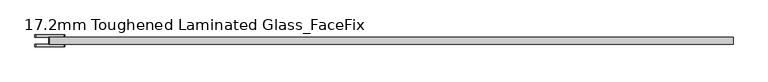
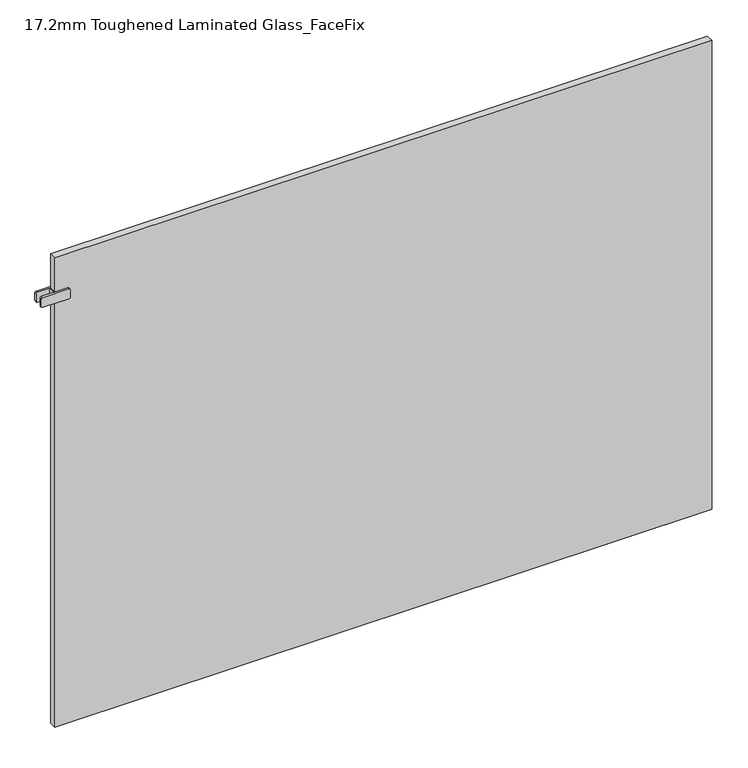
"""IFC4 building model written with IfcOpenShell, lengths in millimetres: plate geometry, 17.2mm Toughened Laminated Glass_FaceFix."""

from ifc_helpers import new_model, si_unit, point, frame, frame_2d, origin, origin_with_axes, place, context, project, spatial, polyline, circle_curve, trimmed, segment, composite_curve, outline, extrude, source, transform, mapped, element, save


def plate_17_2mm_toughened_laminated_glass_facefix_55cfe00f(model_context):
    return source(origin(), model_context, "Body", "SweptSolid", [
        extrude(outline(polyline([(-797.5000001, -40.6), (-797.5000001, -23.4), (-792.5000001, -23.4), (-792.5000001, -40.6), (-797.5000001, -40.6)])), frame((0.0, 0.0, 1087.5), z_axis=(0.0, 0.0, 1.0), x_axis=(1.0, 0.0, 0.0)), (0.0, 0.0, 1.0), 25.0),
        extrude(outline(composite_curve([segment(trimmed(circle_curve(frame_2d((1090.5, -763.0000001)), 3.0), [point((1087.5, -763.0000001))], [point((1090.5, -760.0000001))], False, "CARTESIAN"), True, "CONTINUOUS"), segment(polyline([(1090.5, -760.0000001), (1109.5, -760.0000001)]), True, "CONTINUOUS"), segment(trimmed(circle_curve(frame_2d((1109.5, -763.0000001)), 3.0), [point((1109.5, -760.0000001))], [point((1112.5, -763.0000001))], False, "CARTESIAN"), True, "CONTINUOUS"), segment(polyline([(1112.5, -763.0000001), (1112.5, -827.0000001)]), True, "CONTINUOUS"), segment(trimmed(circle_curve(frame_2d((1109.5, -827.0000001)), 3.0), [point((1112.5, -827.0000001))], [point((1109.5, -830.0000001))], False, "CARTESIAN"), True, "CONTINUOUS"), segment(polyline([(1109.5, -830.0000001), (1090.5, -830.0000001)]), True, "CONTINUOUS"), segment(trimmed(circle_curve(frame_2d((1090.5, -827.0000001)), 3.0), [point((1090.5, -830.0000001))], [point((1087.5, -827.0000001))], False, "CARTESIAN"), True, "CONTINUOUS"), segment(polyline([(1087.5, -827.0000001), (1087.5, -763.0000001)]), True, "CONTINUOUS")], self_intersect=False)), frame((0.0, -23.4, 0.0), z_axis=(0.0, 1.0, 0.0), x_axis=(0.0, 0.0, 1.0)), (0.0, 0.0, 1.0), 5.0),
        extrude(outline(composite_curve([segment(trimmed(circle_curve(frame_2d((1090.5, -763.0000001)), 3.0), [point((1087.5, -763.0000001))], [point((1090.5, -760.0000001))], False, "CARTESIAN"), True, "CONTINUOUS"), segment(polyline([(1090.5, -760.0000001), (1109.5, -760.0000001)]), True, "CONTINUOUS"), segment(trimmed(circle_curve(frame_2d((1109.5, -763.0000001)), 3.0), [point((1109.5, -760.0000001))], [point((1112.5, -763.0000001))], False, "CARTESIAN"), True, "CONTINUOUS"), segment(polyline([(1112.5, -763.0000001), (1112.5, -827.0000001)]), True, "CONTINUOUS"), segment(trimmed(circle_curve(frame_2d((1109.5, -827.0000001)), 3.0), [point((1112.5, -827.0000001))], [point((1109.5, -830.0000001))], False, "CARTESIAN"), True, "CONTINUOUS"), segment(polyline([(1109.5, -830.0000001), (1090.5, -830.0000001)]), True, "CONTINUOUS"), segment(trimmed(circle_curve(frame_2d((1090.5, -827.0000001)), 3.0), [point((1090.5, -830.0000001))], [point((1087.5, -827.0000001))], False, "CARTESIAN"), True, "CONTINUOUS"), segment(polyline([(1087.5, -827.0000001), (1087.5, -763.0000001)]), True, "CONTINUOUS")], self_intersect=False)), frame((0.0, -45.6, 0.0), z_axis=(0.0, 1.0, 0.0), x_axis=(0.0, 0.0, 1.0)), (0.0, 0.0, 1.0), 5.0),
        extrude(outline(polyline([(795.0000001, -23.4), (795.0000001, -40.6), (-795.0000001, -40.6), (-795.0000001, -23.4), (795.0000001, -23.4)])), origin_with_axes(), (0.0, 0.0, 1.0), 1200.0),
    ])


if __name__ == "__main__":
    model = new_model("IFC4")
    model_context = context("Model", 3, world=origin())
    ifc_project = project(units=[si_unit("LENGTHUNIT", "METRE", prefix="MILLI")], contexts=[model_context])
    site = spatial("IfcSite", under=ifc_project)
    building = spatial("IfcBuilding", under=site)
    placement = place(None, origin())
    plate_17_2mm_toughened_laminated_glass_facefix_shape = plate_17_2mm_toughened_laminated_glass_facefix_55cfe00f(model_context)
    element("IfcPlate", 1, ObjectType="17.2mm Toughened Laminated Glass_FaceFix", at=placement, inside=building, context=model_context, shape_type="MappedRepresentation", body=[
        mapped(plate_17_2mm_toughened_laminated_glass_facefix_shape, transform((0.0, 0.0, 0.0), x_axis=(1.0, 0.0, 0.0), y_axis=(0.0, 1.0, 0.0), z_axis=(0.0, 0.0, 1.0))),
    ])
    save(model, "model.ifc")
